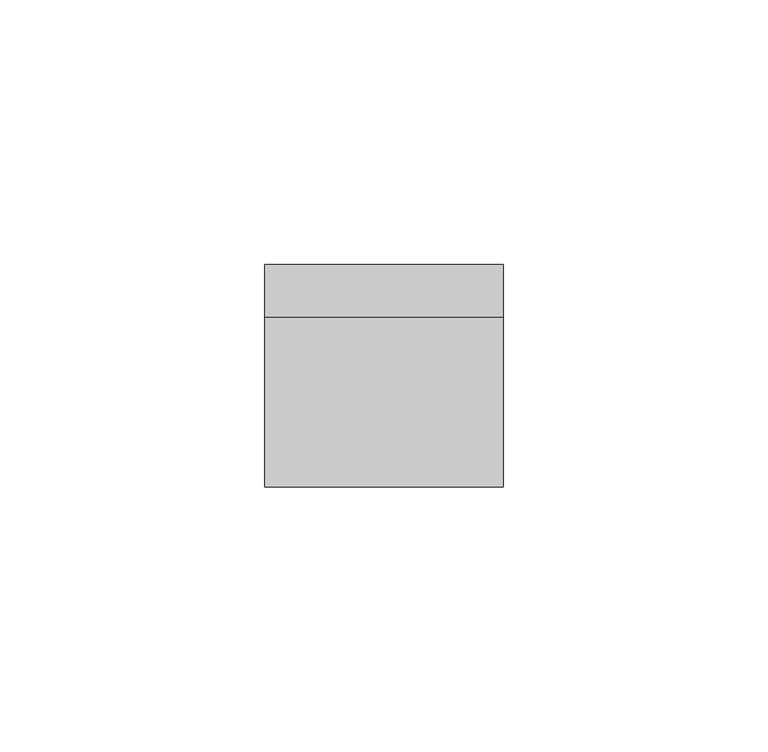
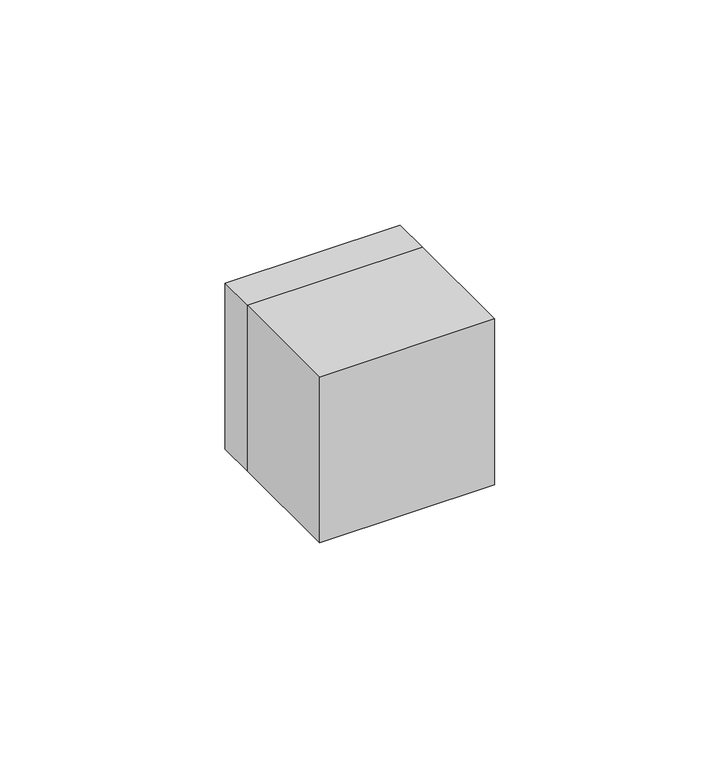
"""IFC4 building model written with IfcOpenShell, lengths in millimetres: proxy geometry."""

from ifc_helpers import new_model, si_unit, point, frame, origin, origin_2d, place, context, project, spatial, polyline, circle_curve, trimmed, segment, composite_curve, outline, extrude, source, transform, mapped, element, save
from ifc_brep_helpers import plane_surface, revolved_surface, advanced_brep


def electrical_fixtures_76b86767(model_context):
    return source(origin(), model_context, "Body", "SolidModel", [
        extrude(outline(polyline([(22.5, -32.0), (-22.5, -32.0), (-22.5, 0.0), (22.5, 0.0), (22.5, -32.0)])), frame((0.0, 0.0, -22.5), z_axis=(0.0, 0.0, 1.0), x_axis=(1.0, 0.0, 0.0)), (0.0, 0.0, 1.0), 45.0),
        extrude(outline(composite_curve([segment(polyline([(-16.0, -1.5), (-17.9373911, -1.5)]), True, "CONTINUOUS"), segment(trimmed(circle_curve(origin_2d(), 18.0), [point((-17.9373911, -1.5))], [point((-17.9373911, 1.5))], False, "CARTESIAN"), True, "CONTINUOUS"), segment(polyline([(-17.9373911, 1.5), (-16.0, 1.5), (-16.0, -1.5)]), True, "CONTINUOUS")], self_intersect=False)), frame((0.0, 1.0, 0.0), z_axis=(0.0, 1.0, 0.0), x_axis=(0.0, 0.0, 1.0)), (0.0, 0.0, 1.0), 8.0),
        extrude(outline(composite_curve([segment(polyline([(16.0, -1.5), (16.0, 1.5), (17.9373911, 1.5)]), True, "CONTINUOUS"), segment(trimmed(circle_curve(origin_2d(), 18.0), [point((17.9373911, 1.5))], [point((17.9373911, -1.5))], False, "CARTESIAN"), True, "CONTINUOUS"), segment(polyline([(17.9373911, -1.5), (16.0, -1.5)]), True, "CONTINUOUS")], self_intersect=False)), frame((0.0, 1.0, 0.0), z_axis=(0.0, 1.0, 0.0), x_axis=(0.0, 0.0, 1.0)), (0.0, 0.0, 1.0), 8.0),
        extrude(outline(composite_curve([segment(polyline([(8.2462113, 16.0), (2.0, 16.0), (2.0, 17.8885438)]), True, "CONTINUOUS"), segment(trimmed(circle_curve(origin_2d(), 18.0), [point((2.0, 17.8885438))], [point((8.2462113, 16.0))], False, "CARTESIAN"), True, "CONTINUOUS")], self_intersect=False)), frame((0.0, 1.0, 0.0), z_axis=(0.0, 1.0, 0.0), x_axis=(0.0, 0.0, 1.0)), (0.0, 0.0, 1.0), 8.0),
        extrude(outline(composite_curve([segment(trimmed(circle_curve(origin_2d(), 18.0), [point((-8.2462113, 16.0))], [point((-2.0, 17.8885438))], False, "CARTESIAN"), True, "CONTINUOUS"), segment(polyline([(-2.0, 17.8885438), (-2.0, 16.0), (-8.2462113, 16.0)]), True, "CONTINUOUS")], self_intersect=False)), frame((0.0, 1.0, 0.0), z_axis=(0.0, 1.0, 0.0), x_axis=(0.0, 0.0, 1.0)), (0.0, 0.0, 1.0), 8.0),
        extrude(outline(composite_curve([segment(polyline([(-8.2462113, -16.0), (-2.0, -16.0), (-2.0, -17.8885438)]), True, "CONTINUOUS"), segment(trimmed(circle_curve(origin_2d(), 18.0), [point((-2.0, -17.8885438))], [point((-8.2462113, -16.0))], False, "CARTESIAN"), True, "CONTINUOUS")], self_intersect=False)), frame((0.0, 1.0, 0.0), z_axis=(0.0, 1.0, 0.0), x_axis=(0.0, 0.0, 1.0)), (0.0, 0.0, 1.0), 8.0),
        extrude(outline(composite_curve([segment(trimmed(circle_curve(origin_2d(), 18.0), [point((8.2462113, -16.0))], [point((2.0, -17.8885438))], False, "CARTESIAN"), True, "CONTINUOUS"), segment(polyline([(2.0, -17.8885438), (2.0, -16.0), (8.2462113, -16.0)]), True, "CONTINUOUS")], self_intersect=False)), frame((0.0, 1.0, 0.0), z_axis=(0.0, 1.0, 0.0), x_axis=(0.0, 0.0, 1.0)), (0.0, 0.0, 1.0), 8.0),
        advanced_brep(
        [(22.5, 10.0, 22.5), (22.5, 10.0, -22.5), (-22.5, 10.0, -22.5), (-22.5, 10.0, 22.5), (-18.0, 10.0, 0.0), (18.0, 10.0, 0.0), (22.5, 0.0, 22.5), (-22.5, 0.0, 22.5), (-22.5, 0.0, -22.5), (22.5, 0.0, -22.5), (-7.0, 0.0, 0.0), (-12.0, 0.0, 0.0), (12.0, 0.0, 0.0), (7.0, 0.0, 0.0), (8.9731851, 0.0, 17.8120198), (12.5935718, 0.0, 21.4324065), (21.4324065, 0.0, 12.5935718), (17.8120198, 0.0, 8.9731851), (-17.8120198, 0.0, 8.9731851), (-21.4324065, 0.0, 12.5935718), (-12.5935718, 0.0, 21.4324065), (-8.9731851, 0.0, 17.8120198), (11.5329116, 0.0, 18.9575328), (18.9575328, 0.0, 11.5329116), (20.018193, 0.0, 12.5935718), (12.5935718, 0.0, 20.018193), (-18.9575328, 0.0, 11.5329116), (-11.5329116, 0.0, 18.9575328), (-12.5935718, 0.0, 20.018193), (-20.018193, 0.0, 12.5935718), (-7.0, 1.0, 0.0), (-12.0, 1.0, 0.0), (12.0, 1.0, 0.0), (7.0, 1.0, 0.0), (-18.0, 1.0, 0.0), (18.0, 1.0, 0.0), (8.9731851, 1.0, 17.8120198), (12.5935718, 1.0, 21.4324065), (17.8120198, 1.0, 8.9731851), (21.4324065, 1.0, 12.5935718), (11.5329116, 1.0, 18.9575328), (18.9575328, 1.0, 11.5329116), (12.5935718, 1.0, 20.018193), (20.018193, 1.0, 12.5935718), (-17.8120198, 1.0, 8.9731851), (-21.4324065, 1.0, 12.5935718), (-8.9731851, 1.0, 17.8120198), (-12.5935718, 1.0, 21.4324065), (-18.9575328, 1.0, 11.5329116), (-11.5329116, 1.0, 18.9575328), (-20.018193, 1.0, 12.5935718), (-12.5935718, 1.0, 20.018193)],
        [
            (0, 1),
            (1, 2),
            (2, 3),
            (3, 0),
            (4, 5, circle_curve(frame((0.0, 10.0, 0.0), z_axis=(0.0, -1.0, 0.0), x_axis=(1.0, 0.0, 0.0)), 18.0)),
            (5, 4, circle_curve(frame((0.0, 10.0, 0.0), z_axis=(0.0, -1.0, 0.0), x_axis=(1.0, 0.0, 0.0)), 18.0)),
            (6, 7),
            (7, 8),
            (8, 9),
            (9, 6),
            (10, 11, circle_curve(frame((-9.5, 0.0, 0.0), z_axis=(0.0, 1.0, 0.0), x_axis=(1.0, 0.0, 0.0)), 2.5)),
            (11, 10, circle_curve(frame((-9.5, 0.0, 0.0), z_axis=(0.0, 1.0, 0.0), x_axis=(1.0, 0.0, 0.0)), 2.5)),
            (12, 13, circle_curve(frame((9.5, 0.0, 0.0), z_axis=(0.0, 1.0, 0.0), x_axis=(1.0, 0.0, 0.0)), 2.5)),
            (13, 12, circle_curve(frame((9.5, 0.0, 0.0), z_axis=(0.0, 1.0, 0.0), x_axis=(1.0, 0.0, 0.0)), 2.5)),
            (14, 15),
            (15, 16),
            (16, 17),
            (17, 14),
            (18, 19),
            (19, 20),
            (20, 21),
            (21, 18),
            (22, 23),
            (23, 24),
            (24, 25),
            (25, 22),
            (26, 27),
            (27, 28),
            (28, 29),
            (29, 26),
            (3, 7),
            (6, 0),
            (2, 8),
            (1, 9),
            (10, 30),
            (30, 31, circle_curve(frame((-9.5, 1.0, 0.0), z_axis=(0.0, 1.0, 0.0), x_axis=(1.0, 0.0, 0.0)), 2.5)),
            (31, 11),
            (31, 30, circle_curve(frame((-9.5, 1.0, 0.0), z_axis=(0.0, 1.0, 0.0), x_axis=(1.0, 0.0, 0.0)), 2.5)),
            (12, 32),
            (32, 33, circle_curve(frame((9.5, 1.0, 0.0), z_axis=(0.0, 1.0, 0.0), x_axis=(1.0, 0.0, 0.0)), 2.5)),
            (33, 13),
            (33, 32, circle_curve(frame((9.5, 1.0, 0.0), z_axis=(0.0, 1.0, 0.0), x_axis=(1.0, 0.0, 0.0)), 2.5)),
            (34, 35, circle_curve(frame((0.0, 1.0, 0.0), z_axis=(0.0, 1.0, 0.0), x_axis=(1.0, 0.0, 0.0)), 18.0)),
            (35, 34, circle_curve(frame((0.0, 1.0, 0.0), z_axis=(0.0, 1.0, 0.0), x_axis=(1.0, 0.0, 0.0)), 18.0)),
            (35, 5),
            (4, 34),
            (36, 37),
            (37, 15),
            (14, 36),
            (38, 36),
            (17, 38),
            (39, 38),
            (16, 39),
            (37, 39),
            (40, 41),
            (41, 23),
            (22, 40),
            (42, 40),
            (25, 42),
            (43, 42),
            (24, 43),
            (41, 43),
            (44, 45),
            (45, 19),
            (18, 44),
            (46, 44),
            (21, 46),
            (47, 46),
            (20, 47),
            (45, 47),
            (48, 49),
            (49, 27),
            (26, 48),
            (50, 48),
            (29, 50),
            (51, 50),
            (28, 51),
            (49, 51),
        ],
        [
            plane_surface(frame((-39.0, 10.0, 22.5), z_axis=(0.0, 1.0, 0.0), x_axis=(1.0, 0.0, 0.0))),
            plane_surface(frame((-39.0, 0.0, 22.5), z_axis=(0.0, -1.0, 0.0), x_axis=(-1.0, 0.0, 0.0))),
            plane_surface(frame((22.5, 0.0, 22.5), z_axis=(0.0, 0.0, 1.0), x_axis=(0.0, 1.0, 0.0))),
            plane_surface(frame((-22.5, 0.0, 22.5), z_axis=(-1.0, 0.0, 0.0), x_axis=(0.0, 1.0, 0.0))),
            plane_surface(frame((-22.5, 0.0, -22.5), z_axis=(0.0, 0.0, -1.0), x_axis=(0.0, 1.0, 0.0))),
            plane_surface(frame((22.5, 0.0, -22.5), z_axis=(1.0, 0.0, 0.0), x_axis=(0.0, 1.0, 0.0))),
            revolved_surface(polyline([(-7.0, 0.0, 0.0), (-7.0, 1.0, 0.0)]), (-9.5, 1.0, 0.0), (0.0, -1.0, 0.0)),
            revolved_surface(polyline([(12.0, 0.0, 0.0), (12.0, 1.0, 0.0)]), (9.5, 0.0, 0.0), (0.0, -1.0, 0.0)),
            plane_surface(frame((18.0, 1.0, 0.0), z_axis=(0.0, 1.0, 0.0), x_axis=(0.0, 0.0, 1.0))),
            revolved_surface(polyline([(18.0, 1.0, 0.0), (18.0, 10.0, 0.0)]), (0.0, 10.0, 0.0), (0.0, -1.0, 0.0)),
            plane_surface(frame((12.5935718, 0.0, 21.4324065), z_axis=(0.7071067811865481, 0.0, -0.7071067811865469), x_axis=(0.0, 1.0, 0.0))),
            plane_surface(frame((8.9731851, 0.0, 17.8120198), z_axis=(0.707106781186547, 0.0, 0.7071067811865481), x_axis=(0.0, 1.0, 0.0))),
            plane_surface(frame((17.8120198, 0.0, 8.9731851), z_axis=(-0.707106781186549, 0.0, 0.7071067811865461), x_axis=(0.0, 1.0, 0.0))),
            plane_surface(frame((21.4324065, 0.0, 12.5935718), z_axis=(-0.7071067811865469, 0.0, -0.7071067811865482), x_axis=(0.0, 1.0, 0.0))),
            plane_surface(frame((18.9575328, 0.0, 11.5329116), z_axis=(-0.7071067811865468, 0.0, -0.7071067811865482), x_axis=(0.0, 1.0, 0.0))),
            plane_surface(frame((11.5329116, 0.0, 18.9575328), z_axis=(-0.7071067811865503, 0.0, 0.7071067811865447), x_axis=(0.0, 1.0, 0.0))),
            plane_surface(frame((12.5935718, 0.0, 20.018193), z_axis=(0.7071067811865468, 0.0, 0.7071067811865482), x_axis=(0.0, 1.0, 0.0))),
            plane_surface(frame((20.018193, 0.0, 12.5935718), z_axis=(0.7071067811865489, 0.0, -0.7071067811865461), x_axis=(0.0, 1.0, 0.0))),
            plane_surface(frame((-21.4324065, 0.0, 12.5935718), z_axis=(0.7071067811865465, 0.0, 0.7071067811865486), x_axis=(0.0, 1.0, 0.0))),
            plane_surface(frame((-17.8120198, 0.0, 8.9731851), z_axis=(-0.7071067811865488, 0.0, 0.7071067811865464), x_axis=(0.0, 1.0, 0.0))),
            plane_surface(frame((-8.9731851, 0.0, 17.8120198), z_axis=(-0.707106781186546, 0.0, -0.7071067811865491), x_axis=(0.0, 1.0, 0.0))),
            plane_surface(frame((-12.5935718, 0.0, 21.4324065), z_axis=(0.707106781186549, 0.0, -0.7071067811865461), x_axis=(0.0, 1.0, 0.0))),
            plane_surface(frame((-11.5329116, 0.0, 18.9575328), z_axis=(0.7071067811865488, 0.0, -0.7071067811865462), x_axis=(0.0, 1.0, 0.0))),
            plane_surface(frame((-18.9575328, 0.0, 11.5329116), z_axis=(-0.7071067811865455, 0.0, -0.7071067811865497), x_axis=(0.0, 1.0, 0.0))),
            plane_surface(frame((-20.018193, 0.0, 12.5935718), z_axis=(-0.7071067811865489, 0.0, 0.7071067811865462), x_axis=(0.0, 1.0, 0.0))),
            plane_surface(frame((-12.5935718, 0.0, 20.018193), z_axis=(0.7071067811865469, 0.0, 0.7071067811865482), x_axis=(0.0, 1.0, 0.0))),
            plane_surface(frame((12.5935718, 1.0, 21.4324065), z_axis=(0.0, -1.0, 0.0), x_axis=(0.7071067811865469, 0.0, 0.7071067811865481))),
            plane_surface(frame((-21.4324065, 1.0, 12.5935718), z_axis=(0.0, -1.0, 0.0), x_axis=(-0.7071067811865486, 0.0, 0.7071067811865465))),
        ],
        [
            (0, [[1, 2, 3, 4], [5, 6]]),
            (1, [[7, 8, 9, 10], [11, 12], [13, 14], [15, 16, 17, 18], [19, 20, 21, 22]]),
            (1, [[23, 24, 25, 26]]),
            (1, [[27, 28, 29, 30]]),
            (2, [[-4, 31, -7, 32]]),
            (3, [[-3, 33, -8, -31]]),
            (4, [[-2, 34, -9, -33]]),
            (5, [[-1, -32, -10, -34]]),
            (6, [[35, 36, 37, -11]]),
            (6, [[-35, -12, -37, 38]]),
            (7, [[39, 40, 41, -13]]),
            (7, [[-39, -14, -41, 42]]),
            (8, [[43, 44], [-36, -38], [-40, -42]]),
            (9, [[-44, 45, -5, 46]]),
            (9, [[-43, -46, -6, -45]]),
            (10, [[47, 48, -15, 49]]),
            (11, [[50, -49, -18, 51]]),
            (12, [[52, -51, -17, 53]]),
            (13, [[54, -53, -16, -48]]),
            (14, [[55, 56, -23, 57]]),
            (15, [[58, -57, -26, 59]]),
            (16, [[60, -59, -25, 61]]),
            (17, [[62, -61, -24, -56]]),
            (18, [[63, 64, -19, 65]]),
            (19, [[66, -65, -22, 67]]),
            (20, [[68, -67, -21, 69]]),
            (21, [[70, -69, -20, -64]]),
            (22, [[71, 72, -27, 73]]),
            (23, [[74, -73, -30, 75]]),
            (24, [[76, -75, -29, 77]]),
            (25, [[78, -77, -28, -72]]),
            (26, [[-47, -50, -52, -54], [-55, -58, -60, -62]]),
            (27, [[-63, -66, -68, -70], [-71, -74, -76, -78]]),
        ],
    ),
    ])


if __name__ == "__main__":
    model = new_model("IFC4")
    model_context = context("Model", 3, world=origin())
    ifc_project = project(units=[si_unit("LENGTHUNIT", "METRE", prefix="MILLI")], contexts=[model_context])
    site = spatial("IfcSite", under=ifc_project)
    building = spatial("IfcBuilding", under=site)
    placement = place(None, origin())
    electrical_fixtures_shape = electrical_fixtures_76b86767(model_context)
    element("IfcBuildingElementProxy", 1, Name="Electrical Fixtures", at=placement, inside=building, context=model_context, shape_type="MappedRepresentation", body=[
        mapped(electrical_fixtures_shape, transform((0.0, 0.0, 0.0), x_axis=(1.0, 0.0, 0.0), y_axis=(0.0, 1.0, 0.0), z_axis=(0.0, 0.0, 1.0))),
    ])
    save(model, "model.ifc")
